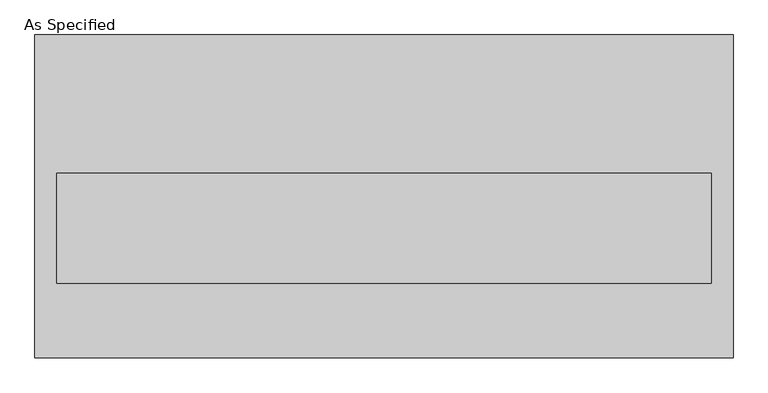
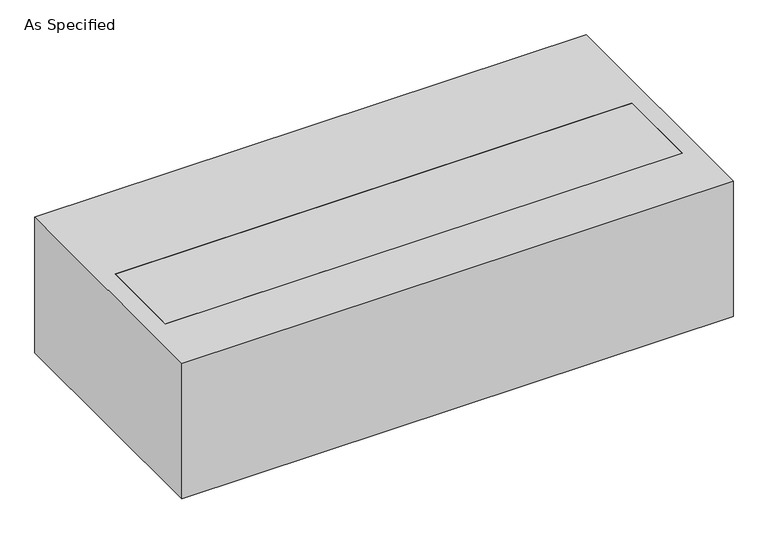
"""IFC4 building model written with IfcOpenShell, lengths in millimetres: proxy geometry, As Specified."""

import ifcopenshell
import ifcopenshell.guid

model = None  # the IFC model being written
_history = None  # IfcOwnerHistory: only IFC2X3 demands one
_inside = {}  # id of a spatial element -> (the spatial element, [elements in it])
_under = {}  # id of a project, library or spatial element -> (it, [spatial elements below it])
_declared = {}  # id of a project -> (the project, [libraries it declares])
_typed = {}  # id of a type object -> (the type object, [elements of that type])
_made_of = {}  # id of a material, layer set ... -> (it, [elements and type objects made of it])


def new_model(schema):
    """Start an empty IFC model of exactly this schema.

    Asked for "IFC4X3", IfcOpenShell would pick the latest addendum, in which some entities
    have other attributes; the version numbers below select the first issue.
    IFC2X3 requires an IfcOwnerHistory on every rooted entity: one is made here for all.
    """
    global model, _history
    if schema == "IFC4X3":
        model = ifcopenshell.file(schema_version=(4, 3, 0, 0))
    else:
        model = ifcopenshell.file(schema=schema)
    _inside.clear()
    _under.clear()
    _declared.clear()
    _typed.clear()
    _made_of.clear()
    _history = None
    if model.schema == "IFC2X3":
        org = make("IfcOrganization", Name="unknown")
        user = make(
            "IfcPersonAndOrganization",
            ThePerson=make("IfcPerson", FamilyName="unknown"),
            TheOrganization=org,
        )
        app = make(
            "IfcApplication",
            ApplicationDeveloper=org,
            Version="unknown",
            ApplicationFullName="unknown",
            ApplicationIdentifier="unknown",
        )
        _history = make(
            "IfcOwnerHistory",
            OwningUser=user,
            OwningApplication=app,
            ChangeAction="ADDED",
            CreationDate=0,
        )
    return model


def make(cls, **values):
    """One entity of the class cls with the attributes given. An attribute that is None is left unset."""
    return model.create_entity(
        cls, **{name: value for name, value in values.items() if value is not None}
    )


def rooted(cls, **values):
    """An entity with a GlobalId (a new one), such as an element, a storey or a relation."""
    return make(cls, GlobalId=ifcopenshell.guid.new(), OwnerHistory=_history, **values)


def si_unit(unit_type, name, prefix=None):
    """IfcSIUnit, for example si_unit("LENGTHUNIT", "METRE", prefix="MILLI")."""
    return make("IfcSIUnit", UnitType=unit_type, Prefix=prefix, Name=name)


def assignment(units):
    """IfcUnitAssignment: the units of a project."""
    return None if units is None else make("IfcUnitAssignment", Units=units)


def point(xyz):
    """IfcCartesianPoint."""
    return None if xyz is None else make("IfcCartesianPoint", Coordinates=xyz)


def direction(xyz):
    """IfcDirection."""
    return None if xyz is None else make("IfcDirection", DirectionRatios=xyz)


def frame(location, z_axis=None, x_axis=None):
    """IfcAxis2Placement3D, a coordinate frame: its origin and axes. An axis left out is left unset."""
    return make(
        "IfcAxis2Placement3D",
        Location=point(location),
        Axis=direction(z_axis),
        RefDirection=direction(x_axis),
    )


def origin():
    """The frame at (0, 0, 0) with its axes left unset."""
    return frame((0.0, 0.0, 0.0))


def place(relative_to, where):
    """IfcLocalPlacement: puts the frame where relative to a parent placement (None: the world)."""
    return make(
        "IfcLocalPlacement", PlacementRelTo=relative_to, RelativePlacement=where
    )


def context(
    kind, dimensions, precision=None, world=None, true_north=None, identifier=None
):
    """IfcGeometricRepresentationContext, for example the 3D "Model" context."""
    return make(
        "IfcGeometricRepresentationContext",
        ContextIdentifier=identifier,
        ContextType=kind,
        CoordinateSpaceDimension=dimensions,
        Precision=precision,
        WorldCoordinateSystem=world,
        TrueNorth=true_north,
    )


def project(units=None, contexts=None):
    """IfcProject with its units and contexts."""
    return rooted(
        "IfcProject",
        Name="project",
        RepresentationContexts=contexts,
        UnitsInContext=assignment(units),
    )


def spatial(cls, under=None, at=None, **own):
    """A site, building, storey or space (cls), placed at a placement, below another one or the project."""
    s = rooted(cls, ObjectPlacement=at, **own)
    if under is not None:
        _under.setdefault(under.id(), (under, []))[1].append(s)
    return s


def polyline(points):
    """IfcPolyline through the points."""
    return make("IfcPolyline", Points=[point(p) for p in points])


def outline(outer, holes=None, kind="AREA"):
    """IfcArbitraryClosedProfileDef: a profile drawn as a closed curve; with holes, ...WithVoids."""
    if holes is None:
        return make("IfcArbitraryClosedProfileDef", ProfileType=kind, OuterCurve=outer)
    return make(
        "IfcArbitraryProfileDefWithVoids",
        ProfileType=kind,
        OuterCurve=outer,
        InnerCurves=holes,
    )


def extrude(swept, where, along, depth):
    """IfcExtrudedAreaSolid: the profile swept, set in the frame where, extruded along a direction by depth."""
    return make(
        "IfcExtrudedAreaSolid",
        SweptArea=swept,
        Position=where,
        ExtrudedDirection=direction(along),
        Depth=depth,
    )


def faces_of(points, faces, orient=None, outer=None):
    """IfcFace entities. A face is a list of loops; a loop is a list of indices into points, from 0.

    orient and outer hold one flag for each loop. By default every Orientation is true, the
    first loop of a face is its IfcFaceOuterBound and the others are IfcFaceBound.
    """
    made = []
    for i, loops in enumerate(faces):
        bounds = []
        for j, loop in enumerate(loops):
            is_outer = j == 0 if outer is None else outer[i][j]
            bounds.append(
                make(
                    "IfcFaceOuterBound" if is_outer else "IfcFaceBound",
                    Bound=make("IfcPolyLoop", Polygon=[points[k] for k in loop]),
                    Orientation=True if orient is None else orient[i][j],
                )
            )
        made.append(make("IfcFace", Bounds=bounds))
    return made


def faceted_brep(points, faces, orient=None, outer=None, voids=None):
    """IfcFacetedBrep: a solid bounded by flat faces; with voids (closed shells), ...WithVoids."""
    shared = [point(p) for p in points]
    hull = make("IfcClosedShell", CfsFaces=faces_of(shared, faces, orient, outer))
    if voids is None:
        return make("IfcFacetedBrep", Outer=hull)
    return make(
        "IfcFacetedBrepWithVoids",
        Outer=hull,
        Voids=[
            make(cls, CfsFaces=faces_of(shared, fs, o, b)) for cls, fs, o, b in voids
        ],
    )


def shape(context_of_items, identifier, shape_type, items):
    """IfcShapeRepresentation: the items that make up one representation, for example the "Body"."""
    return make(
        "IfcShapeRepresentation",
        ContextOfItems=context_of_items,
        RepresentationIdentifier=identifier,
        RepresentationType=shape_type,
        Items=items,
    )


def source(mapping_origin, context_of_items, identifier, shape_type, items):
    """IfcRepresentationMap: a shape defined once, which mapped items show again and again."""
    return make(
        "IfcRepresentationMap",
        MappingOrigin=mapping_origin,
        MappedRepresentation=shape(context_of_items, identifier, shape_type, items),
    )


def transform(
    local_origin,
    x_axis=None,
    y_axis=None,
    z_axis=None,
    scale=None,
    scale2=None,
    scale3=None,
    uniform=True,
):
    """IfcCartesianTransformationOperator3D, or its non-uniform kind. x_axis, y_axis, z_axis: its Axis1, 2, 3."""
    if uniform:
        return make(
            "IfcCartesianTransformationOperator3D",
            Axis1=direction(x_axis),
            Axis2=direction(y_axis),
            LocalOrigin=point(local_origin),
            Scale=scale,
            Axis3=direction(z_axis),
        )
    return make(
        "IfcCartesianTransformationOperator3DnonUniform",
        Axis1=direction(x_axis),
        Axis2=direction(y_axis),
        LocalOrigin=point(local_origin),
        Scale=scale,
        Axis3=direction(z_axis),
        Scale2=scale2,
        Scale3=scale3,
    )


def mapped(mapping_source, mapping_target):
    """IfcMappedItem: shows the shape of a source again, moved by a transform."""
    return make(
        "IfcMappedItem", MappingSource=mapping_source, MappingTarget=mapping_target
    )


def made_of(thing, what):
    """Note that an element or type object is made of a material, layer set ...; save() writes the relation."""
    if what is not None:
        _made_of.setdefault(what.id(), (what, []))[1].append(thing)
    return thing


def element(
    cls,
    number,
    at=None,
    inside=None,
    cuts=None,
    type_object=None,
    material=None,
    context=None,
    identifier="Body",
    shape_type=None,
    held_by="IfcProductDefinitionShape",
    body=None,
    shapes=None,
    **own,
):
    """One element of the class cls, such as IfcWall. Its Tag is "e" and its number.

    at: its placement. inside: the storey or other place that contains it. cuts: it is an
    opening in that element (IfcRelVoidsElement). A single representation is given by context,
    identifier, shape_type and body (its items); several are given by shapes. held_by: the class
    of the entity that holds the representations. save() writes the other relations.
    """
    e = rooted(cls, Tag="e%d" % number, ObjectPlacement=at, **own)
    if body is not None:
        shapes = [shape(context, identifier, shape_type, body)]
    if shapes is not None:
        e.Representation = make(held_by, Representations=shapes)
    if inside is not None:
        _inside.setdefault(inside.id(), (inside, []))[1].append(e)
    if cuts is not None:
        rooted(
            "IfcRelVoidsElement", RelatingBuildingElement=cuts, RelatedOpeningElement=e
        )
    if type_object is not None:
        _typed.setdefault(type_object.id(), (type_object, []))[1].append(e)
    return made_of(e, material)


def aggregate(whole, parts):
    """IfcRelAggregates: a whole, such as a stair, and the parts it consists of."""
    return rooted("IfcRelAggregates", RelatingObject=whole, RelatedObjects=parts)


def save(model, path):
    """Write the relations noted so far, then the file.

    IfcRelAggregates (storeys below a building ...), IfcRelContainedInSpatialStructure (elements
    in a storey), IfcRelDefinesByType, IfcRelAssociatesMaterial and IfcRelDeclares: one each for
    every whole, place, type object, material and project.
    """
    for whole, parts in _under.values():
        aggregate(whole, parts)
    for where, things in _inside.values():
        rooted(
            "IfcRelContainedInSpatialStructure",
            RelatedElements=things,
            RelatingStructure=where,
        )
    for kind, things in _typed.values():
        rooted("IfcRelDefinesByType", RelatedObjects=things, RelatingType=kind)
    for what, things in _made_of.values():
        rooted("IfcRelAssociatesMaterial", RelatedObjects=things, RelatingMaterial=what)
    for by, libraries in _declared.values():
        rooted("IfcRelDeclares", RelatingContext=by, RelatedDefinitions=libraries)
    model.write(path)


def as_specified_562e96b4(model_context):
    return source(origin(), model_context, "Body", "SolidModel", [
        faceted_brep([(-968.375, 447.675, -25.4), (-968.375, 447.675, -530.225), (-968.375, -447.675, -530.225), (-968.375, -447.675, -25.4), (-908.05, 63.5, -25.4), (-908.05, -241.3, -25.4), (-908.05, -241.3, -373.0625), (-908.05, 63.5, -373.0625), (968.375, 447.675, -25.4), (968.375, -447.675, -25.4), (908.05, 63.5, -25.4), (908.05, -241.3, -25.4), (968.375, -447.675, -530.225), (968.375, 447.675, -530.225), (908.05, 63.5, -373.0625), (908.05, -241.3, -373.0625)], [[[0, 1, 2, 3]], [[4, 5, 6, 7]], [[8, 0, 3, 9], [5, 4, 10, 11]], [[8, 9, 12, 13]], [[12, 9, 3, 2]], [[13, 12, 2, 1]], [[8, 13, 1, 0]], [[4, 7, 14, 10]], [[7, 6, 15, 14]], [[6, 5, 11, 15]], [[11, 10, 14, 15]]]),
        extrude(outline(polyline([(908.05, 63.5), (908.05, -241.3), (-908.05, -241.3), (-908.05, 63.5), (908.05, 63.5)])), frame((0.0, 0.0, -373.0625), z_axis=(0.0, 0.0, 1.0), x_axis=(1.0, 0.0, 0.0)), (0.0, 0.0, 1.0), 347.6625),
    ])


if __name__ == "__main__":
    model = new_model("IFC4")
    model_context = context("Model", 3, world=origin())
    ifc_project = project(units=[si_unit("LENGTHUNIT", "METRE", prefix="MILLI")], contexts=[model_context])
    site = spatial("IfcSite", under=ifc_project)
    building = spatial("IfcBuilding", under=site)
    placement = place(None, origin())
    as_specified_shape = as_specified_562e96b4(model_context)
    element("IfcBuildingElementProxy", 1, Name="As Specified", ObjectType="As Specified", at=placement, inside=building, context=model_context, shape_type="MappedRepresentation", body=[
        mapped(as_specified_shape, transform((0.0, 0.0, 0.0), x_axis=(1.0, 0.0, 0.0), y_axis=(0.0, 1.0, 0.0), z_axis=(0.0, 0.0, 1.0))),
    ])
    save(model, "model.ifc")
